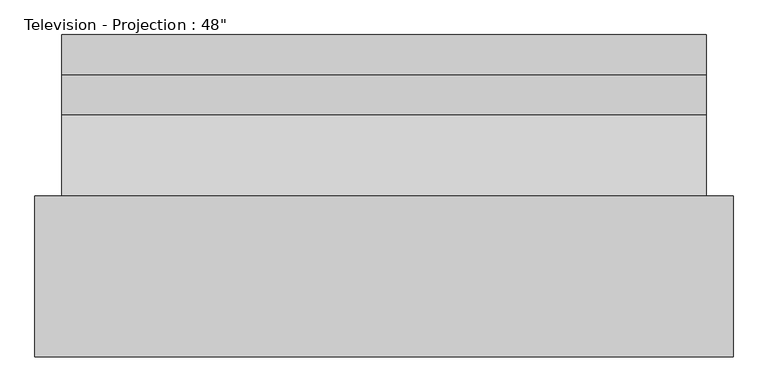
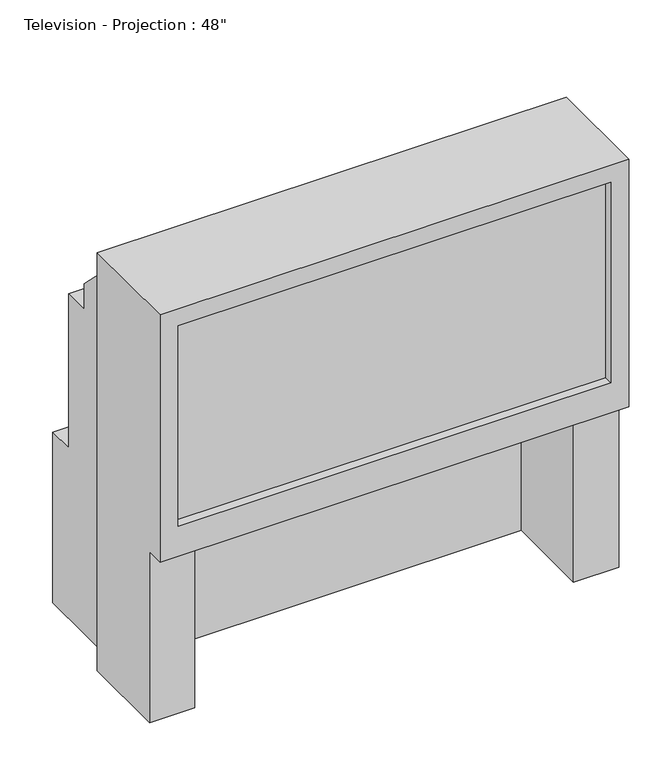
"""IFC4 building model written with IfcOpenShell, lengths in millimetres: furniture geometry."""

import ifcopenshell
import ifcopenshell.guid

model = None  # the IFC model being written
_history = None  # IfcOwnerHistory: only IFC2X3 demands one
_inside = {}  # id of a spatial element -> (the spatial element, [elements in it])
_under = {}  # id of a project, library or spatial element -> (it, [spatial elements below it])
_declared = {}  # id of a project -> (the project, [libraries it declares])
_typed = {}  # id of a type object -> (the type object, [elements of that type])
_made_of = {}  # id of a material, layer set ... -> (it, [elements and type objects made of it])


def new_model(schema):
    """Start an empty IFC model of exactly this schema.

    Asked for "IFC4X3", IfcOpenShell would pick the latest addendum, in which some entities
    have other attributes; the version numbers below select the first issue.
    IFC2X3 requires an IfcOwnerHistory on every rooted entity: one is made here for all.
    """
    global model, _history
    if schema == "IFC4X3":
        model = ifcopenshell.file(schema_version=(4, 3, 0, 0))
    else:
        model = ifcopenshell.file(schema=schema)
    _inside.clear()
    _under.clear()
    _declared.clear()
    _typed.clear()
    _made_of.clear()
    _history = None
    if model.schema == "IFC2X3":
        org = make("IfcOrganization", Name="unknown")
        user = make(
            "IfcPersonAndOrganization",
            ThePerson=make("IfcPerson", FamilyName="unknown"),
            TheOrganization=org,
        )
        app = make(
            "IfcApplication",
            ApplicationDeveloper=org,
            Version="unknown",
            ApplicationFullName="unknown",
            ApplicationIdentifier="unknown",
        )
        _history = make(
            "IfcOwnerHistory",
            OwningUser=user,
            OwningApplication=app,
            ChangeAction="ADDED",
            CreationDate=0,
        )
    return model


def make(cls, **values):
    """One entity of the class cls with the attributes given. An attribute that is None is left unset."""
    return model.create_entity(
        cls, **{name: value for name, value in values.items() if value is not None}
    )


def rooted(cls, **values):
    """An entity with a GlobalId (a new one), such as an element, a storey or a relation."""
    return make(cls, GlobalId=ifcopenshell.guid.new(), OwnerHistory=_history, **values)


def si_unit(unit_type, name, prefix=None):
    """IfcSIUnit, for example si_unit("LENGTHUNIT", "METRE", prefix="MILLI")."""
    return make("IfcSIUnit", UnitType=unit_type, Prefix=prefix, Name=name)


def assignment(units):
    """IfcUnitAssignment: the units of a project."""
    return None if units is None else make("IfcUnitAssignment", Units=units)


def point(xyz):
    """IfcCartesianPoint."""
    return None if xyz is None else make("IfcCartesianPoint", Coordinates=xyz)


def direction(xyz):
    """IfcDirection."""
    return None if xyz is None else make("IfcDirection", DirectionRatios=xyz)


def frame(location, z_axis=None, x_axis=None):
    """IfcAxis2Placement3D, a coordinate frame: its origin and axes. An axis left out is left unset."""
    return make(
        "IfcAxis2Placement3D",
        Location=point(location),
        Axis=direction(z_axis),
        RefDirection=direction(x_axis),
    )


def frame_2d(location, x_axis=None):
    """IfcAxis2Placement2D, a coordinate frame in the plane: its origin and x axis."""
    return make(
        "IfcAxis2Placement2D", Location=point(location), RefDirection=direction(x_axis)
    )


def origin():
    """The frame at (0, 0, 0) with its axes left unset."""
    return frame((0.0, 0.0, 0.0))


def place(relative_to, where):
    """IfcLocalPlacement: puts the frame where relative to a parent placement (None: the world)."""
    return make(
        "IfcLocalPlacement", PlacementRelTo=relative_to, RelativePlacement=where
    )


def context(
    kind, dimensions, precision=None, world=None, true_north=None, identifier=None
):
    """IfcGeometricRepresentationContext, for example the 3D "Model" context."""
    return make(
        "IfcGeometricRepresentationContext",
        ContextIdentifier=identifier,
        ContextType=kind,
        CoordinateSpaceDimension=dimensions,
        Precision=precision,
        WorldCoordinateSystem=world,
        TrueNorth=true_north,
    )


def project(units=None, contexts=None):
    """IfcProject with its units and contexts."""
    return rooted(
        "IfcProject",
        Name="project",
        RepresentationContexts=contexts,
        UnitsInContext=assignment(units),
    )


def spatial(cls, under=None, at=None, **own):
    """A site, building, storey or space (cls), placed at a placement, below another one or the project."""
    s = rooted(cls, ObjectPlacement=at, **own)
    if under is not None:
        _under.setdefault(under.id(), (under, []))[1].append(s)
    return s


def polyline(points):
    """IfcPolyline through the points."""
    return make("IfcPolyline", Points=[point(p) for p in points])


def circle_curve(where, radius):
    """IfcCircle in the frame where."""
    return make("IfcCircle", Position=where, Radius=radius)


def trimmed(basis, trim1, trim2, sense, master):
    """IfcTrimmedCurve: the piece of a basis curve between two trims."""
    return make(
        "IfcTrimmedCurve",
        BasisCurve=basis,
        Trim1=trim1,
        Trim2=trim2,
        SenseAgreement=sense,
        MasterRepresentation=master,
    )


def segment(curve, same_sense, transition):
    """IfcCompositeCurveSegment."""
    return make(
        "IfcCompositeCurveSegment",
        Transition=transition,
        SameSense=same_sense,
        ParentCurve=curve,
    )


def composite_curve(segments, self_intersect=None):
    """IfcCompositeCurve: segments joined end to end."""
    return make("IfcCompositeCurve", Segments=segments, SelfIntersect=self_intersect)


def outline(outer, holes=None, kind="AREA"):
    """IfcArbitraryClosedProfileDef: a profile drawn as a closed curve; with holes, ...WithVoids."""
    if holes is None:
        return make("IfcArbitraryClosedProfileDef", ProfileType=kind, OuterCurve=outer)
    return make(
        "IfcArbitraryProfileDefWithVoids",
        ProfileType=kind,
        OuterCurve=outer,
        InnerCurves=holes,
    )


def extrude(swept, where, along, depth):
    """IfcExtrudedAreaSolid: the profile swept, set in the frame where, extruded along a direction by depth."""
    return make(
        "IfcExtrudedAreaSolid",
        SweptArea=swept,
        Position=where,
        ExtrudedDirection=direction(along),
        Depth=depth,
    )


def faces_of(points, faces, orient=None, outer=None):
    """IfcFace entities. A face is a list of loops; a loop is a list of indices into points, from 0.

    orient and outer hold one flag for each loop. By default every Orientation is true, the
    first loop of a face is its IfcFaceOuterBound and the others are IfcFaceBound.
    """
    made = []
    for i, loops in enumerate(faces):
        bounds = []
        for j, loop in enumerate(loops):
            is_outer = j == 0 if outer is None else outer[i][j]
            bounds.append(
                make(
                    "IfcFaceOuterBound" if is_outer else "IfcFaceBound",
                    Bound=make("IfcPolyLoop", Polygon=[points[k] for k in loop]),
                    Orientation=True if orient is None else orient[i][j],
                )
            )
        made.append(make("IfcFace", Bounds=bounds))
    return made


def faceted_brep(points, faces, orient=None, outer=None, voids=None):
    """IfcFacetedBrep: a solid bounded by flat faces; with voids (closed shells), ...WithVoids."""
    shared = [point(p) for p in points]
    hull = make("IfcClosedShell", CfsFaces=faces_of(shared, faces, orient, outer))
    if voids is None:
        return make("IfcFacetedBrep", Outer=hull)
    return make(
        "IfcFacetedBrepWithVoids",
        Outer=hull,
        Voids=[
            make(cls, CfsFaces=faces_of(shared, fs, o, b)) for cls, fs, o, b in voids
        ],
    )


def shape(context_of_items, identifier, shape_type, items):
    """IfcShapeRepresentation: the items that make up one representation, for example the "Body"."""
    return make(
        "IfcShapeRepresentation",
        ContextOfItems=context_of_items,
        RepresentationIdentifier=identifier,
        RepresentationType=shape_type,
        Items=items,
    )


def source(mapping_origin, context_of_items, identifier, shape_type, items):
    """IfcRepresentationMap: a shape defined once, which mapped items show again and again."""
    return make(
        "IfcRepresentationMap",
        MappingOrigin=mapping_origin,
        MappedRepresentation=shape(context_of_items, identifier, shape_type, items),
    )


def transform(
    local_origin,
    x_axis=None,
    y_axis=None,
    z_axis=None,
    scale=None,
    scale2=None,
    scale3=None,
    uniform=True,
):
    """IfcCartesianTransformationOperator3D, or its non-uniform kind. x_axis, y_axis, z_axis: its Axis1, 2, 3."""
    if uniform:
        return make(
            "IfcCartesianTransformationOperator3D",
            Axis1=direction(x_axis),
            Axis2=direction(y_axis),
            LocalOrigin=point(local_origin),
            Scale=scale,
            Axis3=direction(z_axis),
        )
    return make(
        "IfcCartesianTransformationOperator3DnonUniform",
        Axis1=direction(x_axis),
        Axis2=direction(y_axis),
        LocalOrigin=point(local_origin),
        Scale=scale,
        Axis3=direction(z_axis),
        Scale2=scale2,
        Scale3=scale3,
    )


def mapped(mapping_source, mapping_target):
    """IfcMappedItem: shows the shape of a source again, moved by a transform."""
    return make(
        "IfcMappedItem", MappingSource=mapping_source, MappingTarget=mapping_target
    )


def made_of(thing, what):
    """Note that an element or type object is made of a material, layer set ...; save() writes the relation."""
    if what is not None:
        _made_of.setdefault(what.id(), (what, []))[1].append(thing)
    return thing


def element(
    cls,
    number,
    at=None,
    inside=None,
    cuts=None,
    type_object=None,
    material=None,
    context=None,
    identifier="Body",
    shape_type=None,
    held_by="IfcProductDefinitionShape",
    body=None,
    shapes=None,
    **own,
):
    """One element of the class cls, such as IfcWall. Its Tag is "e" and its number.

    at: its placement. inside: the storey or other place that contains it. cuts: it is an
    opening in that element (IfcRelVoidsElement). A single representation is given by context,
    identifier, shape_type and body (its items); several are given by shapes. held_by: the class
    of the entity that holds the representations. save() writes the other relations.
    """
    e = rooted(cls, Tag="e%d" % number, ObjectPlacement=at, **own)
    if body is not None:
        shapes = [shape(context, identifier, shape_type, body)]
    if shapes is not None:
        e.Representation = make(held_by, Representations=shapes)
    if inside is not None:
        _inside.setdefault(inside.id(), (inside, []))[1].append(e)
    if cuts is not None:
        rooted(
            "IfcRelVoidsElement", RelatingBuildingElement=cuts, RelatedOpeningElement=e
        )
    if type_object is not None:
        _typed.setdefault(type_object.id(), (type_object, []))[1].append(e)
    return made_of(e, material)


def aggregate(whole, parts):
    """IfcRelAggregates: a whole, such as a stair, and the parts it consists of."""
    return rooted("IfcRelAggregates", RelatingObject=whole, RelatedObjects=parts)


def save(model, path):
    """Write the relations noted so far, then the file.

    IfcRelAggregates (storeys below a building ...), IfcRelContainedInSpatialStructure (elements
    in a storey), IfcRelDefinesByType, IfcRelAssociatesMaterial and IfcRelDeclares: one each for
    every whole, place, type object, material and project.
    """
    for whole, parts in _under.values():
        aggregate(whole, parts)
    for where, things in _inside.values():
        rooted(
            "IfcRelContainedInSpatialStructure",
            RelatedElements=things,
            RelatingStructure=where,
        )
    for kind, things in _typed.values():
        rooted("IfcRelDefinesByType", RelatedObjects=things, RelatingType=kind)
    for what, things in _made_of.values():
        rooted("IfcRelAssociatesMaterial", RelatedObjects=things, RelatingMaterial=what)
    for by, libraries in _declared.values():
        rooted("IfcRelDeclares", RelatingContext=by, RelatedDefinitions=libraries)
    model.write(path)


def furniture_e8f7b3bb(model_context):
    return source(origin(), model_context, "Body", "SolidModel", [
        faceted_brep([(660.4, -609.6, 1244.6), (-660.4, -609.6, 1244.6), (-660.4, -609.6, 508.0), (660.4, -609.6, 508.0), (609.6, -609.6, 1193.8), (609.6, -609.6, 596.9), (-609.6, -609.6, 596.9), (-609.6, -609.6, 1193.8), (660.4, -304.8, 1244.6), (-660.4, -304.8, 1244.6), (-660.4, -304.8, 0.0), (-660.4, -558.8, 0.0), (-660.4, -558.8, 508.0), (-533.4, -558.8, 508.0), (-533.4, -304.8, 508.0), (533.4, -304.8, 508.0), (533.4, -558.8, 508.0), (660.4, -558.8, 508.0), (660.4, -558.8, 0.0), (660.4, -304.8, 0.0), (609.6, -558.8, 1193.8), (609.6, -558.8, 596.9), (-609.6, -558.8, 596.9), (-609.6, -558.8, 1193.8), (-533.4, -558.8, 0.0), (533.4, -558.8, 0.0), (609.6, -304.8, 0.0), (609.6, -304.8, 1193.8), (-609.6, -304.8, 1193.8), (-609.6, -304.8, 0.0), (-609.6, 0.0, 0.0), (609.6, 0.0, 0.0), (533.4, -304.8, 0.0), (-533.4, -304.8, 0.0), (609.6, -152.4, 1041.4), (609.6, 0.0, 508.0), (609.6, -76.2, 508.0), (609.6, -76.2, 965.2), (609.6, -152.4, 965.2), (-609.6, -152.4, 1041.4), (-609.6, -152.4, 965.2), (-609.6, -76.2, 965.2), (-609.6, -76.2, 508.0), (-609.6, 0.0, 508.0)], [[[0, 1, 2, 3], [4, 5, 6, 7]], [[1, 0, 8, 9]], [[2, 1, 9, 10, 11, 12]], [[3, 2, 12, 13, 14, 15, 16, 17]], [[0, 3, 17, 18, 19, 8]], [[5, 4, 20, 21]], [[6, 5, 21, 22]], [[7, 6, 22, 23]], [[4, 7, 23, 20]], [[11, 24, 13, 12]], [[16, 25, 18, 17]], [[21, 20, 23, 22]], [[8, 19, 26, 27, 28, 29, 10, 9]], [[24, 11, 10, 29, 30, 31, 26, 19, 18, 25, 32, 33]], [[13, 24, 33, 14]], [[25, 16, 15, 32]], [[34, 27, 26, 31, 35, 36, 37, 38]], [[39, 40, 41, 42, 43, 30, 29, 28]], [[27, 34, 39, 28]], [[33, 32, 15, 14]], [[35, 31, 30, 43]], [[36, 35, 43, 42]], [[37, 36, 42, 41]], [[38, 37, 41, 40]], [[34, 38, 40, 39]]]),
        extrude(outline(composite_curve([segment(polyline([(-609.6, -558.8), (609.6, -558.8), (609.6, -584.2)]), True, "CONTINUOUS"), segment(trimmed(circle_curve(frame_2d((0.0, 16081.5690214)), 16676.91426), [point((609.6, -584.2))], [point((-609.6, -584.2))], False, "CARTESIAN"), True, "CONTINUOUS"), segment(polyline([(-609.6, -584.2), (-609.6, -558.8)]), True, "CONTINUOUS")], self_intersect=False)), frame((0.0, 0.0, 596.9), z_axis=(0.0, 0.0, 1.0), x_axis=(1.0, 0.0, 0.0)), (0.0, 0.0, 1.0), 596.9),
    ])


if __name__ == "__main__":
    model = new_model("IFC4")
    model_context = context("Model", 3, world=origin())
    ifc_project = project(units=[si_unit("LENGTHUNIT", "METRE", prefix="MILLI")], contexts=[model_context])
    site = spatial("IfcSite", under=ifc_project)
    building = spatial("IfcBuilding", under=site)
    placement = place(None, origin())
    furniture_shape = furniture_e8f7b3bb(model_context)
    element("IfcFurniture", 1, ObjectType="Television - Projection : 48\"", at=placement, inside=building, context=model_context, shape_type="MappedRepresentation", body=[
        mapped(furniture_shape, transform((0.0, 0.0, 0.0), x_axis=(1.0, 0.0, 0.0), y_axis=(0.0, 1.0, 0.0), z_axis=(0.0, 0.0, 1.0))),
    ])
    save(model, "model.ifc")
